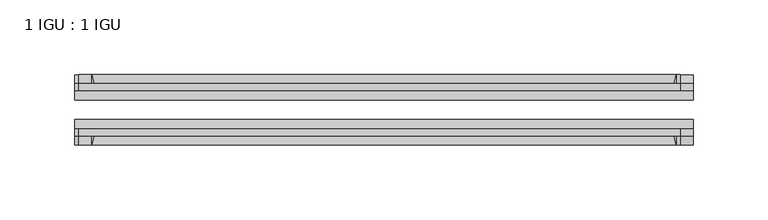
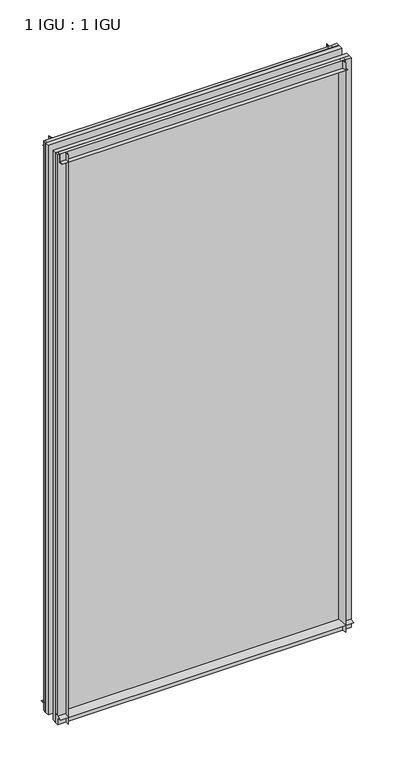
"""IFC4 building model written with IfcOpenShell, lengths in millimetres: plate geometry, 1 IGU : 1 IGU."""

from ifc_helpers import new_model, si_unit, point, frame, frame_2d, origin, place, context, project, spatial, polyline, circle_curve, trimmed, segment, composite_curve, outline, extrude, source, transform, mapped, element, save


def plate_1_igu_1_igu_c20c6969(model_context):
    return source(origin(), model_context, "Body", "SweptSolid", [
        extrude(outline(composite_curve([segment(trimmed(circle_curve(frame_2d((-28.0741797, 32.2797688)), 32.7673262), [point((-44.45, 3.8979053))], [point((-33.7058, 1.48e-05))], True, "CARTESIAN"), True, "CONTINUOUS"), segment(polyline([(-33.7058, 1.48e-05), (-39.6748, 1.48e-05), (-39.6748, -10.31875), (-44.45, -10.31875), (-44.45, 3.8979053)]), True, "CONTINUOUS")], self_intersect=False)), frame((-206.375, 0.0, 0.0), z_axis=(1.0, 0.0, 0.0), x_axis=(0.0, 1.0, 0.0)), (0.0, 0.0, 1.0), 412.75),
        extrude(outline(composite_curve([segment(trimmed(circle_curve(frame_2d((-86.2258203, 32.2797602)), 32.7673262), [point((-80.5942354, 0.0))], [point((-69.85, 3.8978967))], True, "CARTESIAN"), True, "CONTINUOUS"), segment(polyline([(-69.85, 3.8978967), (-69.85, -10.31875), (-74.6252, -10.31875), (-74.6252, 0.0), (-80.5942354, 0.0)]), True, "CONTINUOUS")], self_intersect=False)), frame((-206.375, 0.0, 0.0), z_axis=(1.0, 0.0, 0.0), x_axis=(0.0, 1.0, 0.0)), (0.0, 0.0, 1.0), 412.75),
        extrude(outline(composite_curve([segment(polyline([(-80.5942, 825.5), (-74.6252, 825.5), (-74.6252, 836.6125), (-69.85, 836.6125), (-69.85, 821.6021095)]), True, "CONTINUOUS"), segment(trimmed(circle_curve(frame_2d((-86.2258203, 793.220246)), 32.7673262), [point((-69.85, 821.6021095))], [point((-80.5942, 825.5))], True, "CARTESIAN"), True, "CONTINUOUS")], self_intersect=False)), frame((-203.7752386, 0.0, 0.0), z_axis=(1.0, 0.0, 0.0), x_axis=(0.0, 1.0, 0.0)), (0.0, 0.0, 1.0), 401.5837001),
        extrude(outline(composite_curve([segment(polyline([(-39.6748, 836.6125), (-39.6748, 825.5), (-33.7058, 825.5)]), True, "CONTINUOUS"), segment(trimmed(circle_curve(frame_2d((-28.0741797, 793.220246)), 32.7673262), [point((-33.7058, 825.5))], [point((-44.45, 821.6021095))], True, "CARTESIAN"), True, "CONTINUOUS"), segment(polyline([(-44.45, 821.6021095), (-44.45, 836.6125), (-39.6748, 836.6125)]), True, "CONTINUOUS")], self_intersect=False)), frame((-203.7752386, 0.0, 0.0), z_axis=(1.0, 0.0, 0.0), x_axis=(0.0, 1.0, 0.0)), (0.0, 0.0, 1.0), 401.5837001),
        extrude(outline(composite_curve([segment(polyline([(206.375, -39.6748), (206.375, -44.45), (191.3646095, -44.45)]), True, "CONTINUOUS"), segment(trimmed(circle_curve(frame_2d((162.982746, -28.0741797)), 32.7673262), [point((191.3646095, -44.45))], [point((195.2625, -33.7058))], True, "CARTESIAN"), True, "CONTINUOUS"), segment(polyline([(195.2625, -33.7058), (195.2625, -39.6748), (206.375, -39.6748)]), True, "CONTINUOUS")], self_intersect=False)), frame((0.0, 0.0, -10.31875), z_axis=(0.0, 0.0, 1.0), x_axis=(1.0, 0.0, 0.0)), (0.0, 0.0, 1.0), 846.93125),
        extrude(outline(composite_curve([segment(polyline([(206.375, -69.85), (206.375, -74.6252), (195.2625, -74.6252), (195.2625, -80.5942)]), True, "CONTINUOUS"), segment(trimmed(circle_curve(frame_2d((162.982746, -86.2258203)), 32.7673262), [point((195.2625, -80.5942))], [point((191.3646095, -69.85))], True, "CARTESIAN"), True, "CONTINUOUS"), segment(polyline([(191.3646095, -69.85), (206.375, -69.85)]), True, "CONTINUOUS")], self_intersect=False)), frame((0.0, 0.0, -10.31875), z_axis=(0.0, 0.0, 1.0), x_axis=(1.0, 0.0, 0.0)), (0.0, 0.0, 1.0), 846.93125),
        extrude(outline(composite_curve([segment(polyline([(-206.375, -39.6748), (-195.2625, -39.6748), (-195.2625, -33.7058)]), True, "CONTINUOUS"), segment(trimmed(circle_curve(frame_2d((-162.982746, -28.0741797)), 32.7673262), [point((-195.2625, -33.7058))], [point((-191.3646095, -44.45))], True, "CARTESIAN"), True, "CONTINUOUS"), segment(polyline([(-191.3646095, -44.45), (-206.375, -44.45), (-206.375, -39.6748)]), True, "CONTINUOUS")], self_intersect=False)), frame((0.0, 0.0, -10.31875), z_axis=(0.0, 0.0, 1.0), x_axis=(1.0, 0.0, 0.0)), (0.0, 0.0, 1.0), 846.93125),
        extrude(outline(composite_curve([segment(polyline([(-206.375, -74.6252), (-206.375, -69.85), (-191.3646095, -69.85)]), True, "CONTINUOUS"), segment(trimmed(circle_curve(frame_2d((-162.982746, -86.2258203)), 32.7673262), [point((-191.3646095, -69.85))], [point((-195.2625, -80.5942))], True, "CARTESIAN"), True, "CONTINUOUS"), segment(polyline([(-195.2625, -80.5942), (-195.2625, -74.6252), (-206.375, -74.6252)]), True, "CONTINUOUS")], self_intersect=False)), frame((0.0, 0.0, -10.31875), z_axis=(0.0, 0.0, 1.0), x_axis=(1.0, 0.0, 0.0)), (0.0, 0.0, 1.0), 846.93125),
        extrude(outline(polyline([(-206.375, -69.85), (-206.375, -63.5508), (206.375, -63.5508), (206.375, -69.85), (-206.375, -69.85)])), frame((0.0, 0.0, -10.31875), z_axis=(0.0, 0.0, 1.0), x_axis=(1.0, 0.0, 0.0)), (0.0, 0.0, 1.0), 846.93125),
        extrude(outline(polyline([(206.375, -50.7492), (-206.375, -50.7492), (-206.375, -44.45), (206.375, -44.45), (206.375, -50.7492)])), frame((0.0, 0.0, -10.31875), z_axis=(0.0, 0.0, 1.0), x_axis=(1.0, 0.0, 0.0)), (0.0, 0.0, 1.0), 846.93125),
    ])


if __name__ == "__main__":
    model = new_model("IFC4")
    model_context = context("Model", 3, world=origin())
    ifc_project = project(units=[si_unit("LENGTHUNIT", "METRE", prefix="MILLI")], contexts=[model_context])
    site = spatial("IfcSite", under=ifc_project)
    building = spatial("IfcBuilding", under=site)
    placement = place(None, origin())
    plate_1_igu_1_igu_shape = plate_1_igu_1_igu_c20c6969(model_context)
    element("IfcPlate", 1, ObjectType="1 IGU : 1 IGU", at=placement, inside=building, context=model_context, shape_type="MappedRepresentation", body=[
        mapped(plate_1_igu_1_igu_shape, transform((0.0, 0.0, 0.0), x_axis=(1.0, 0.0, 0.0), y_axis=(0.0, 1.0, 0.0), z_axis=(0.0, 0.0, 1.0))),
    ])
    save(model, "model.ifc")
